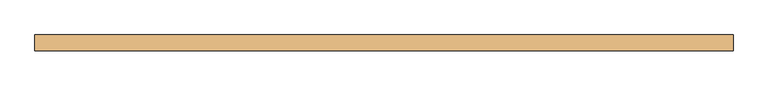
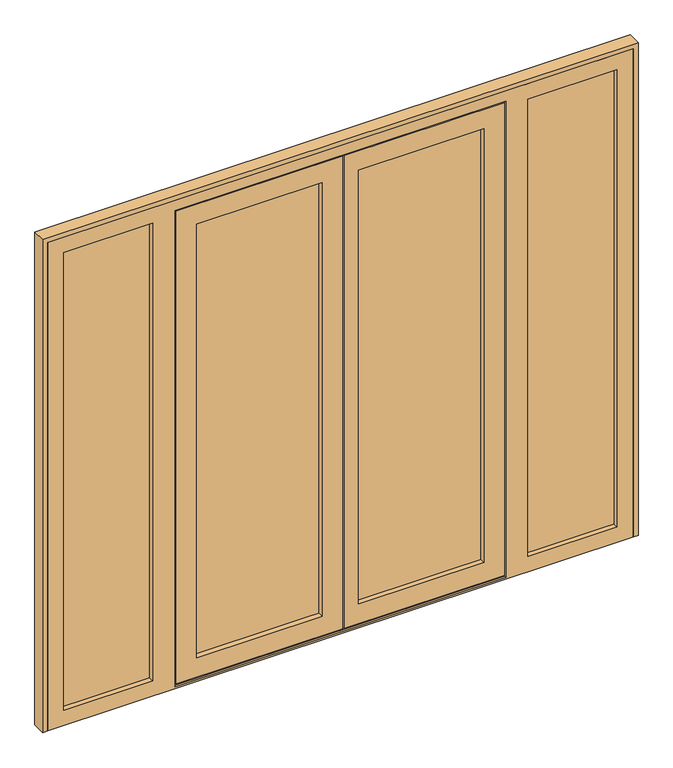
"""IFC4 building model written with IfcOpenShell, lengths in millimetres: door geometry."""

from ifc_helpers import new_model, si_unit, frame, origin, place, context, project, spatial, polyline, outline, extrude, faceted_brep, source, transform, mapped, element, save


def door_302d0523(model_context):
    return source(origin(), model_context, "Body", "SolidModel", [
        extrude(outline(polyline([(69.0, 91.0), (69.0, 68.0), (-471.5, 68.0), (-471.5, 91.0), (69.0, 91.0)])), frame((0.0, 0.0, 84.0), z_axis=(0.0, 0.0, 1.0), x_axis=(1.0, 0.0, 0.0)), (0.0, 0.0, 1.0), 1884.0),
        extrude(outline(polyline([(721.5, 91.0), (721.5, 68.0), (181.0, 68.0), (181.0, 91.0), (721.5, 91.0)])), frame((0.0, 0.0, 84.0), z_axis=(0.0, 0.0, 1.0), x_axis=(1.0, 0.0, 0.0)), (0.0, 0.0, 1.0), 1884.0),
        extrude(outline(polyline([(1258.0, 91.0), (1258.0, 68.0), (863.5, 68.0), (863.5, 91.0), (1258.0, 91.0)])), frame((0.0, 0.0, 47.0), z_axis=(0.0, 0.0, 1.0), x_axis=(1.0, 0.0, 0.0)), (0.0, 0.0, 1.0), 1986.0),
        extrude(outline(polyline([(-613.5, 91.0), (-613.5, 68.0), (-1008.0, 68.0), (-1008.0, 91.0), (-613.5, 91.0)])), frame((0.0, 0.0, 47.0), z_axis=(0.0, 0.0, 1.0), x_axis=(1.0, 0.0, 0.0)), (0.0, 0.0, 1.0), 1986.0),
        faceted_brep([(-536.5, 54.0, 19.0), (-527.5, 54.0, 19.0), (-527.5, 92.0, 19.0), (-518.5, 92.0, 19.0), (-518.5, 54.0, 19.0), (134.0, 54.0, 19.0), (134.0, 46.0, 19.0), (-536.5, 46.0, 19.0), (786.5, 54.0, 19.0), (786.5, 46.0, 19.0), (139.0, 46.0, 19.0), (139.0, 54.0, 19.0), (768.5, 54.0, 19.0), (768.5, 92.0, 19.0), (777.5, 92.0, 19.0), (777.5, 54.0, 19.0), (-536.5, 46.0, 2033.0), (-536.5, 54.0, 2033.0), (134.0, 46.0, 2033.0), (-453.5, 46.0, 1950.0), (51.0, 46.0, 1950.0), (51.0, 46.0, 102.0), (-453.5, 46.0, 102.0), (786.5, 46.0, 2033.0), (139.0, 46.0, 2033.0), (703.5, 46.0, 102.0), (199.0, 46.0, 102.0), (199.0, 46.0, 1950.0), (703.5, 46.0, 1950.0), (-453.5, 68.0, 102.0), (-453.5, 68.0, 1950.0), (721.5, 68.0, 84.0), (181.0, 68.0, 84.0), (181.0, 68.0, 1968.0), (721.5, 68.0, 1968.0), (703.5, 68.0, 1950.0), (199.0, 68.0, 1950.0), (199.0, 68.0, 102.0), (703.5, 68.0, 102.0), (-471.5, 68.0, 1968.0), (69.0, 68.0, 1968.0), (69.0, 68.0, 84.0), (-471.5, 68.0, 84.0), (51.0, 68.0, 102.0), (51.0, 68.0, 1950.0), (-471.5, 91.0, 84.0), (-471.5, 91.0, 1968.0), (721.5, 91.0, 1968.0), (181.0, 91.0, 1968.0), (181.0, 91.0, 84.0), (721.5, 91.0, 84.0), (703.5, 91.0, 102.0), (199.0, 91.0, 102.0), (199.0, 91.0, 1950.0), (703.5, 91.0, 1950.0), (69.0, 91.0, 84.0), (69.0, 91.0, 1968.0), (-453.5, 91.0, 1950.0), (51.0, 91.0, 1950.0), (51.0, 91.0, 102.0), (-453.5, 91.0, 102.0), (-453.5, 100.0, 102.0), (-453.5, 100.0, 1950.0), (763.5, 100.0, 42.0), (116.0, 100.0, 42.0), (116.0, 100.0, 2010.0), (763.5, 100.0, 2010.0), (703.5, 100.0, 1950.0), (199.0, 100.0, 1950.0), (199.0, 100.0, 102.0), (703.5, 100.0, 102.0), (-513.5, 100.0, 2010.0), (111.0, 100.0, 2010.0), (111.0, 100.0, 42.0), (-513.5, 100.0, 42.0), (51.0, 100.0, 102.0), (51.0, 100.0, 1950.0), (-513.5, 92.0, 42.0), (-513.5, 92.0, 2010.0), (768.5, 92.0, 28.0), (-518.5, 92.0, 28.0), (-527.5, 92.0, 2024.0), (777.5, 92.0, 2024.0), (763.5, 92.0, 2010.0), (116.0, 92.0, 2010.0), (116.0, 92.0, 42.0), (763.5, 92.0, 42.0), (111.0, 92.0, 42.0), (111.0, 92.0, 2010.0), (-527.5, 54.0, 2024.0), (134.0, 54.0, 2033.0), (134.0, 54.0, 2024.0), (777.5, 54.0, 2024.0), (139.0, 54.0, 2024.0), (139.0, 54.0, 2033.0), (786.5, 54.0, 2033.0), (768.5, 54.0, 28.0), (-518.5, 54.0, 28.0), (139.0, 54.0, 28.0), (134.0, 54.0, 28.0)], [[[0, 1, 2, 3, 4, 5, 6, 7]], [[8, 9, 10, 11, 12, 13, 14, 15]], [[7, 16, 17, 0]], [[7, 6, 18, 16], [19, 20, 21, 22]], [[23, 24, 10, 9], [25, 26, 27, 28]], [[19, 22, 29, 30]], [[31, 32, 33, 34], [35, 36, 37, 38]], [[39, 40, 41, 42], [29, 43, 44, 30]], [[39, 42, 45, 46]], [[47, 48, 49, 50], [51, 52, 53, 54]], [[45, 55, 56, 46], [57, 58, 59, 60]], [[57, 60, 61, 62]], [[63, 64, 65, 66], [67, 68, 69, 70]], [[71, 72, 73, 74], [61, 75, 76, 62]], [[71, 74, 77, 78]], [[14, 13, 79, 80, 3, 2, 81, 82], [83, 84, 85, 86], [87, 88, 78, 77]], [[1, 89, 81, 2]], [[0, 17, 90, 91, 89, 1]], [[92, 93, 94, 95, 8, 15]], [[16, 18, 90, 17]], [[95, 94, 24, 23]], [[30, 44, 20, 19]], [[28, 27, 36, 35]], [[46, 56, 40, 39]], [[34, 33, 48, 47]], [[62, 76, 58, 57]], [[54, 53, 68, 67]], [[78, 88, 72, 71]], [[66, 65, 84, 83]], [[89, 91, 93, 92, 82, 81]], [[9, 8, 95, 23]], [[35, 38, 25, 28]], [[47, 50, 31, 34]], [[67, 70, 51, 54]], [[83, 86, 63, 66]], [[82, 92, 15, 14]], [[38, 37, 26, 25]], [[22, 21, 43, 29]], [[42, 41, 55, 45]], [[50, 49, 32, 31]], [[70, 69, 52, 51]], [[60, 59, 75, 61]], [[79, 13, 12, 96]], [[97, 4, 3, 80]], [[96, 98, 99, 97, 80, 79]], [[74, 73, 87, 77]], [[86, 85, 64, 63]], [[12, 11, 98, 96]], [[97, 99, 5, 4]], [[65, 64, 85, 84]], [[68, 53, 52, 69]], [[33, 32, 49, 48]], [[36, 27, 26, 37]], [[10, 24, 94, 93, 98, 11]], [[91, 99, 98, 93]], [[5, 99, 91, 90, 18, 6]], [[43, 21, 20, 44]], [[56, 55, 41, 40]], [[75, 59, 58, 76]], [[73, 72, 88, 87]]]),
        faceted_brep([(-990.0, 68.0, 65.0), (-990.0, 68.0, 2015.0), (-990.0, 46.0, 2015.0), (-990.0, 46.0, 65.0), (-1008.0, 91.0, 47.0), (-1008.0, 91.0, 2033.0), (-1008.0, 68.0, 2033.0), (-1008.0, 68.0, 47.0), (-990.0, 100.0, 65.0), (-990.0, 100.0, 2015.0), (-990.0, 91.0, 2015.0), (-990.0, 91.0, 65.0), (-1055.0, 46.0, 0.0), (-1055.0, 46.0, 2080.0), (-1055.0, 100.0, 2080.0), (-1055.0, 100.0, 0.0), (1240.0, 46.0, 2015.0), (881.5, 46.0, 2015.0), (881.5, 68.0, 2015.0), (1240.0, 68.0, 2015.0), (-631.5, 68.0, 2015.0), (-631.5, 46.0, 2015.0), (863.5, 68.0, 2033.0), (863.5, 91.0, 2033.0), (1258.0, 91.0, 2033.0), (1258.0, 68.0, 2033.0), (-613.5, 91.0, 2033.0), (-613.5, 68.0, 2033.0), (-518.5, 92.0, 2015.0), (-518.5, 100.0, 2015.0), (768.5, 100.0, 2015.0), (768.5, 92.0, 2015.0), (1240.0, 91.0, 2015.0), (881.5, 91.0, 2015.0), (881.5, 100.0, 2015.0), (1240.0, 100.0, 2015.0), (-631.5, 100.0, 2015.0), (-631.5, 91.0, 2015.0), (1305.0, 46.0, 2080.0), (1305.0, 100.0, 2080.0), (1240.0, 68.0, 65.0), (1240.0, 46.0, 65.0), (1258.0, 91.0, 47.0), (1258.0, 68.0, 47.0), (1240.0, 100.0, 65.0), (1240.0, 91.0, 65.0), (1305.0, 46.0, 0.0), (1305.0, 100.0, 0.0), (791.5, 46.0, 8.0), (791.5, 54.0, 8.0), (-541.5, 54.0, 8.0), (-541.5, 46.0, 8.0), (791.5, 54.0, 2038.0), (-541.5, 54.0, 2038.0), (777.5, 54.0, 28.0), (-527.5, 54.0, 28.0), (-527.5, 54.0, 2024.0), (777.5, 54.0, 2024.0), (777.5, 92.0, 28.0), (768.5, 92.0, 28.0), (768.5, 100.0, 28.0), (-518.5, 100.0, 28.0), (-518.5, 92.0, 28.0), (-527.5, 92.0, 28.0), (-541.5, 46.0, 2038.0), (791.5, 46.0, 2038.0), (-527.5, 92.0, 2024.0), (777.5, 92.0, 2024.0), (-631.5, 68.0, 65.0), (-631.5, 46.0, 65.0), (881.5, 46.0, 65.0), (881.5, 68.0, 65.0), (-613.5, 68.0, 47.0), (863.5, 68.0, 47.0), (-613.5, 91.0, 47.0), (863.5, 91.0, 47.0), (881.5, 91.0, 65.0), (-631.5, 91.0, 65.0), (-631.5, 100.0, 65.0), (881.5, 100.0, 65.0)], [[[0, 1, 2, 3]], [[4, 5, 6, 7]], [[8, 9, 10, 11]], [[12, 13, 14, 15]], [[16, 17, 18, 19]], [[1, 20, 21, 2]], [[22, 23, 24, 25]], [[26, 27, 6, 5]], [[28, 29, 30, 31]], [[32, 33, 34, 35]], [[9, 36, 37, 10]], [[38, 39, 14, 13]], [[19, 40, 41, 16]], [[24, 42, 43, 25]], [[35, 44, 45, 32]], [[38, 46, 47, 39]], [[48, 49, 50, 51]], [[50, 49, 52, 53], [54, 55, 56, 57]], [[54, 58, 59, 60, 61, 62, 63, 55]], [[64, 53, 52, 65]], [[56, 66, 67, 57]], [[29, 28, 62, 61]], [[55, 63, 66, 56]], [[51, 50, 53, 64]], [[21, 20, 68, 69]], [[18, 17, 70, 71]], [[65, 52, 49, 48]], [[57, 67, 58, 54]], [[60, 59, 31, 30]], [[12, 46, 38, 13], [2, 21, 69, 3], [16, 41, 70, 17], [65, 48, 51, 64]], [[3, 69, 68, 0]], [[6, 27, 72, 7], [0, 68, 20, 1]], [[43, 73, 22, 25], [19, 18, 71, 40]], [[72, 74, 4, 7]], [[24, 23, 75, 42], [32, 45, 76, 33]], [[4, 74, 26, 5], [11, 10, 37, 77]], [[11, 77, 78, 8]], [[14, 39, 47, 15], [44, 35, 34, 79], [60, 30, 29, 61], [8, 78, 36, 9]], [[47, 46, 12, 15]], [[40, 71, 70, 41]], [[75, 73, 43, 42]], [[44, 79, 76, 45]], [[27, 26, 74, 72]], [[37, 36, 78, 77]], [[34, 33, 76, 79]], [[73, 75, 23, 22]], [[31, 59, 58, 67, 66, 63, 62, 28]]]),
        extrude(outline(polyline([(2100.0, -1075.0), (0.0, -1075.0), (0.0, -1055.0), (2080.0, -1055.0), (2080.0, 1305.0), (0.0, 1305.0), (0.0, 1325.0), (2100.0, 1325.0), (2100.0, -1075.0)])), frame((0.0, 46.0, 0.0), z_axis=(0.0, 1.0, 0.0), x_axis=(0.0, 0.0, 1.0)), (0.0, 0.0, 1.0), 54.0),
    ])


if __name__ == "__main__":
    model = new_model("IFC4")
    model_context = context("Model", 3, world=origin())
    ifc_project = project(units=[si_unit("LENGTHUNIT", "METRE", prefix="MILLI")], contexts=[model_context])
    site = spatial("IfcSite", under=ifc_project)
    building = spatial("IfcBuilding", under=site)
    placement = place(None, origin())
    door_shape = door_302d0523(model_context)
    element("IfcDoor", 1, at=placement, inside=building, context=model_context, shape_type="MappedRepresentation", body=[
        mapped(door_shape, transform((0.0, 0.0, 0.0), x_axis=(1.0, 0.0, 0.0), y_axis=(0.0, 1.0, 0.0), z_axis=(0.0, 0.0, 1.0))),
    ])
    save(model, "model.ifc")
